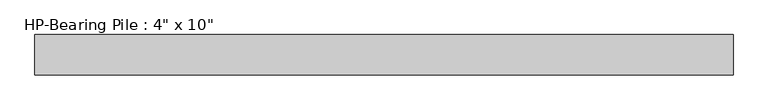
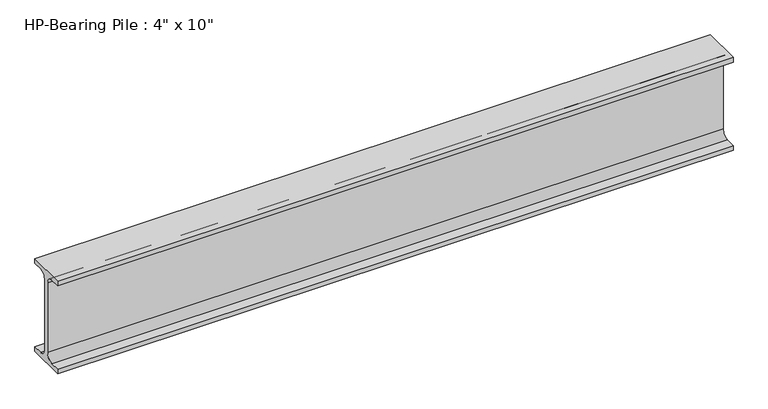
"""IFC4 building model written with IfcOpenShell, lengths in millimetres: beam geometry."""

from ifc_helpers import new_model, si_unit, point, frame, frame_2d, origin, place, context, project, spatial, polyline, circle_curve, trimmed, segment, composite_curve, outline, extrude, source, transform, mapped, element, save


def beam_53b98fef(model_context):
    return source(origin(), model_context, "Body", "SweptSolid", [
        extrude(outline(composite_curve([segment(polyline([(50.8, -114.3), (50.8, -127.0), (-50.8, -127.0), (-50.8, -114.3), (-25.4, -114.3)]), True, "CONTINUOUS"), segment(trimmed(circle_curve(frame_2d((-25.4, -95.25)), 19.05), [point((-25.4, -114.3))], [point((-6.35, -95.25))], True, "CARTESIAN"), True, "CONTINUOUS"), segment(polyline([(-6.35, -95.25), (-6.35, 95.25)]), True, "CONTINUOUS"), segment(trimmed(circle_curve(frame_2d((-25.4, 95.25)), 19.05), [point((-6.35, 95.25))], [point((-25.4, 114.3))], True, "CARTESIAN"), True, "CONTINUOUS"), segment(polyline([(-25.4, 114.3), (-50.8, 114.3), (-50.8, 127.0), (50.8, 127.0), (50.8, 114.3), (25.4, 114.3)]), True, "CONTINUOUS"), segment(trimmed(circle_curve(frame_2d((25.4, 95.25)), 19.05), [point((25.4, 114.3))], [point((6.35, 95.25))], True, "CARTESIAN"), True, "CONTINUOUS"), segment(polyline([(6.35, 95.25), (6.35, -95.25)]), True, "CONTINUOUS"), segment(trimmed(circle_curve(frame_2d((25.4, -95.25)), 19.05), [point((6.35, -95.25))], [point((25.4, -114.3))], True, "CARTESIAN"), True, "CONTINUOUS"), segment(polyline([(25.4, -114.3), (50.8, -114.3)]), True, "CONTINUOUS")], self_intersect=False)), frame((-874.8511003, 0.0, 0.0), z_axis=(1.0, 0.0, 0.0), x_axis=(0.0, 1.0, 0.0)), (0.0, 0.0, 1.0), 1749.7022006),
    ])


if __name__ == "__main__":
    model = new_model("IFC4")
    model_context = context("Model", 3, world=origin())
    ifc_project = project(units=[si_unit("LENGTHUNIT", "METRE", prefix="MILLI")], contexts=[model_context])
    site = spatial("IfcSite", under=ifc_project)
    building = spatial("IfcBuilding", under=site)
    placement = place(None, origin())
    beam_shape = beam_53b98fef(model_context)
    element("IfcBeam", 1, ObjectType="HP-Bearing Pile : 4\" x 10\"", at=placement, inside=building, context=model_context, shape_type="MappedRepresentation", body=[
        mapped(beam_shape, transform((0.0, 0.0, 0.0), x_axis=(1.0, 0.0, 0.0), y_axis=(0.0, 1.0, 0.0), z_axis=(0.0, 0.0, 1.0))),
    ])
    save(model, "model.ifc")
